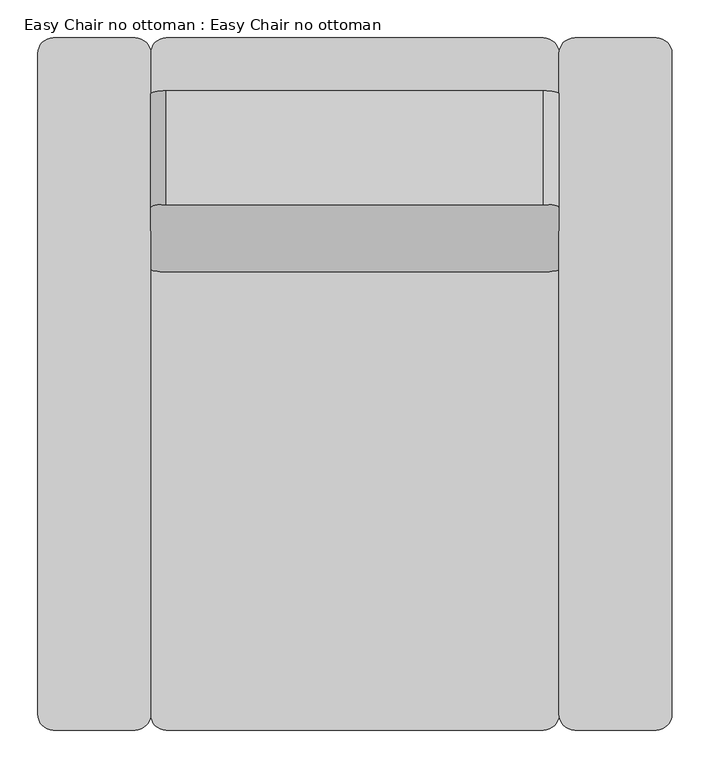
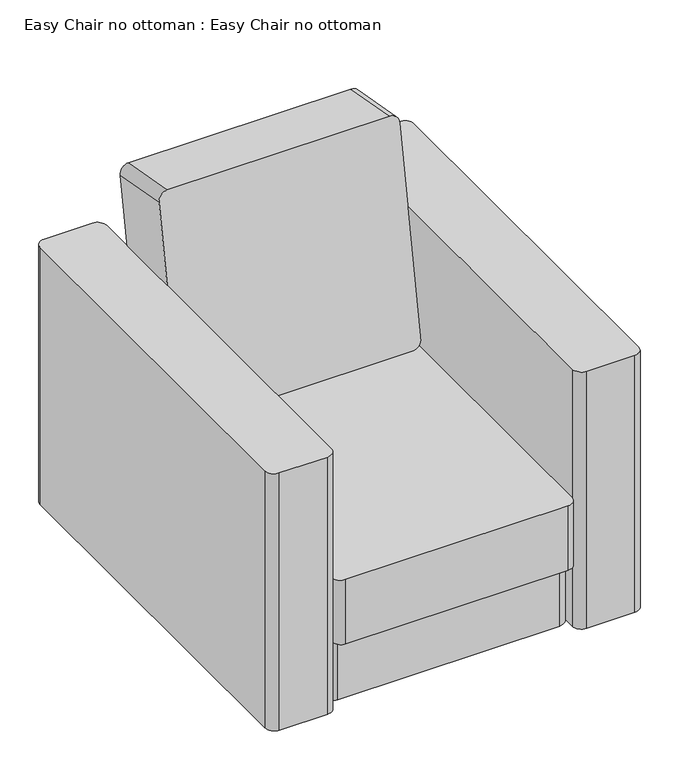
"""IFC4 building model written with IfcOpenShell, lengths in millimetres: furniture geometry, Easy Chair no ottoman : Easy Chair no ottoman."""

from ifc_helpers import new_model, si_unit, point, frame, frame_2d, origin, origin_with_axes, place, context, project, spatial, polyline, circle_curve, trimmed, segment, composite_curve, outline, extrude, source, transform, mapped, element, save


def easy_chair_no_ottoman_easy_chair_no_ottoman_76f6a99a(model_context):
    return source(origin(), model_context, "Body", "SweptSolid", [
        extrude(outline(composite_curve([segment(polyline([(0.0, 41.275), (469.4861086, 41.275)]), True, "CONTINUOUS"), segment(trimmed(circle_curve(frame_2d((469.4861086, 20.6375)), 20.6375), [point((469.4861086, 41.275))], [point((490.1236086, 20.6375))], False, "CARTESIAN"), True, "CONTINUOUS"), segment(polyline([(490.1236086, 20.6375), (490.1236086, -477.8375)]), True, "CONTINUOUS"), segment(trimmed(circle_curve(frame_2d((469.4861086, -477.8375)), 20.6375), [point((490.1236086, -477.8375))], [point((469.4861086, -498.475))], False, "CARTESIAN"), True, "CONTINUOUS"), segment(polyline([(469.4861086, -498.475), (0.0, -498.475)]), True, "CONTINUOUS"), segment(trimmed(circle_curve(frame_2d((0.0, -477.8375)), 20.6375), [point((0.0, -498.475))], [point((-20.6375, -477.8375))], False, "CARTESIAN"), True, "CONTINUOUS"), segment(polyline([(-20.6375, -477.8375), (-20.6375, 20.6375)]), True, "CONTINUOUS"), segment(trimmed(circle_curve(frame_2d((0.0, 20.6375)), 20.6375), [point((-20.6375, 20.6375))], [point((0.0, 41.275))], False, "CARTESIAN"), True, "CONTINUOUS")], self_intersect=False)), frame((190.5, -155.2002294, 298.6599877), z_axis=(0.0, -0.9848077530122072, 0.17364817766693533), x_axis=(0.0, 0.17364817766693533, 0.9848077530122072)), (0.0, 0.0, 1.0), 152.4),
        extrude(outline(composite_curve([segment(trimmed(circle_curve(frame_2d((169.8625, -20.6375)), 20.6375), [point((149.225, -20.6375))], [point((169.8625, 0.0))], False, "CARTESIAN"), True, "CONTINUOUS"), segment(polyline([(169.8625, 0.0), (668.3375, 0.0)]), True, "CONTINUOUS"), segment(trimmed(circle_curve(frame_2d((668.3375, -20.6375)), 20.6375), [point((668.3375, 0.0))], [point((688.975, -20.6375))], False, "CARTESIAN"), True, "CONTINUOUS"), segment(polyline([(688.975, -20.6375), (688.975, -893.7625)]), True, "CONTINUOUS"), segment(trimmed(circle_curve(frame_2d((668.3375, -893.7625)), 20.6375), [point((688.975, -893.7625))], [point((668.3375, -914.4))], False, "CARTESIAN"), True, "CONTINUOUS"), segment(polyline([(668.3375, -914.4), (169.8625, -914.4)]), True, "CONTINUOUS"), segment(trimmed(circle_curve(frame_2d((169.8625, -893.7625)), 20.6375), [point((169.8625, -914.4))], [point((149.225, -893.7625))], False, "CARTESIAN"), True, "CONTINUOUS"), segment(polyline([(149.225, -893.7625), (149.225, -20.6375)]), True, "CONTINUOUS")], self_intersect=False)), frame((0.0, 0.0, 152.4), z_axis=(0.0, 0.0, 1.0), x_axis=(1.0, 0.0, 0.0)), (0.0, 0.0, 1.0), 152.4),
        extrude(outline(composite_curve([segment(trimmed(circle_curve(frame_2d((169.8625, -20.6375)), 20.6375), [point((149.225, -20.6375))], [point((169.8625, 0.0))], False, "CARTESIAN"), True, "CONTINUOUS"), segment(polyline([(169.8625, 0.0), (668.3375, 0.0)]), True, "CONTINUOUS"), segment(trimmed(circle_curve(frame_2d((668.3375, -20.6375)), 20.6375), [point((668.3375, 0.0))], [point((688.975, -20.6375))], False, "CARTESIAN"), True, "CONTINUOUS"), segment(polyline([(688.975, -20.6375), (688.975, -861.0215802)]), True, "CONTINUOUS"), segment(trimmed(circle_curve(frame_2d((668.3375, -861.0215802)), 20.6375), [point((688.975, -861.0215802))], [point((668.3375, -881.6590802))], False, "CARTESIAN"), True, "CONTINUOUS"), segment(polyline([(668.3375, -881.6590802), (169.8625, -881.6590802)]), True, "CONTINUOUS"), segment(trimmed(circle_curve(frame_2d((169.8625, -861.0215802)), 20.6375), [point((169.8625, -881.6590802))], [point((149.225, -861.0215802))], False, "CARTESIAN"), True, "CONTINUOUS"), segment(polyline([(149.225, -861.0215802), (149.225, -20.6375)]), True, "CONTINUOUS")], self_intersect=False)), origin_with_axes(), (0.0, 0.0, 1.0), 152.4),
        extrude(outline(composite_curve([segment(polyline([(0.0, -893.7625), (0.0, -20.6375)]), True, "CONTINUOUS"), segment(trimmed(circle_curve(frame_2d((20.6375, -20.6375)), 20.6375), [point((0.0, -20.6375))], [point((20.6375, 0.0))], False, "CARTESIAN"), True, "CONTINUOUS"), segment(polyline([(20.6375, 0.0), (128.5875, 0.0)]), True, "CONTINUOUS"), segment(trimmed(circle_curve(frame_2d((128.5875, -20.6375)), 20.6375), [point((128.5875, 0.0))], [point((149.225, -20.6375))], False, "CARTESIAN"), True, "CONTINUOUS"), segment(polyline([(149.225, -20.6375), (149.225, -893.7625)]), True, "CONTINUOUS"), segment(trimmed(circle_curve(frame_2d((128.5875, -893.7625)), 20.6375), [point((149.225, -893.7625))], [point((128.5875, -914.4))], False, "CARTESIAN"), True, "CONTINUOUS"), segment(polyline([(128.5875, -914.4), (20.6375, -914.4)]), True, "CONTINUOUS"), segment(trimmed(circle_curve(frame_2d((20.6375, -893.7625)), 20.6375), [point((20.6375, -914.4))], [point((0.0, -893.7625))], False, "CARTESIAN"), True, "CONTINUOUS")], self_intersect=False)), origin_with_axes(), (0.0, 0.0, 1.0), 609.6),
        extrude(outline(composite_curve([segment(polyline([(688.975, -893.7625), (688.975, -20.6375)]), True, "CONTINUOUS"), segment(trimmed(circle_curve(frame_2d((709.6125, -20.6375)), 20.6375), [point((688.975, -20.6375))], [point((709.6125, 0.0))], False, "CARTESIAN"), True, "CONTINUOUS"), segment(polyline([(709.6125, 0.0), (817.5625, 0.0)]), True, "CONTINUOUS"), segment(trimmed(circle_curve(frame_2d((817.5625, -20.6375)), 20.6375), [point((817.5625, 0.0))], [point((838.2, -20.6375))], False, "CARTESIAN"), True, "CONTINUOUS"), segment(polyline([(838.2, -20.6375), (838.2, -893.7625)]), True, "CONTINUOUS"), segment(trimmed(circle_curve(frame_2d((817.5625, -893.7625)), 20.6375), [point((838.2, -893.7625))], [point((817.5625, -914.4))], False, "CARTESIAN"), True, "CONTINUOUS"), segment(polyline([(817.5625, -914.4), (709.6125, -914.4)]), True, "CONTINUOUS"), segment(trimmed(circle_curve(frame_2d((709.6125, -893.7625)), 20.6375), [point((709.6125, -914.4))], [point((688.975, -893.7625))], False, "CARTESIAN"), True, "CONTINUOUS")], self_intersect=False)), origin_with_axes(), (0.0, 0.0, 1.0), 609.6),
    ])


if __name__ == "__main__":
    model = new_model("IFC4")
    model_context = context("Model", 3, world=origin())
    ifc_project = project(units=[si_unit("LENGTHUNIT", "METRE", prefix="MILLI")], contexts=[model_context])
    site = spatial("IfcSite", under=ifc_project)
    building = spatial("IfcBuilding", under=site)
    placement = place(None, origin())
    easy_chair_no_ottoman_easy_chair_no_ottoman_shape = easy_chair_no_ottoman_easy_chair_no_ottoman_76f6a99a(model_context)
    element("IfcFurniture", 1, ObjectType="Easy Chair no ottoman : Easy Chair no ottoman", at=placement, inside=building, context=model_context, shape_type="MappedRepresentation", body=[
        mapped(easy_chair_no_ottoman_easy_chair_no_ottoman_shape, transform((0.0, 0.0, 0.0), x_axis=(1.0, 0.0, 0.0), y_axis=(0.0, 1.0, 0.0), z_axis=(0.0, 0.0, 1.0))),
    ])
    save(model, "model.ifc")
